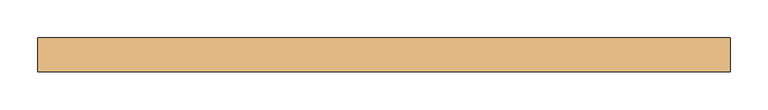
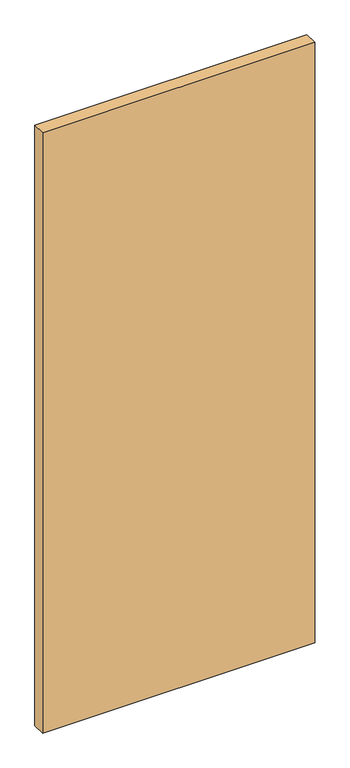
"""IFC4 building model written with IfcOpenShell, lengths in millimetres: door geometry."""

from ifc_helpers import new_model, si_unit, origin, origin_with_axes, place, context, project, spatial, polyline, outline, extrude, source, transform, mapped, element, save


def door_548d0056(model_context):
    return source(origin(), model_context, "Body", "SweptSolid", [
        extrude(outline(polyline([(-457.2, 22.225), (457.2, 22.225), (457.2, -22.225), (-457.2, -22.225), (-457.2, 22.225)])), origin_with_axes(), (0.0, 0.0, 1.0), 2133.6),
    ])


if __name__ == "__main__":
    model = new_model("IFC4")
    model_context = context("Model", 3, world=origin())
    ifc_project = project(units=[si_unit("LENGTHUNIT", "METRE", prefix="MILLI")], contexts=[model_context])
    site = spatial("IfcSite", under=ifc_project)
    building = spatial("IfcBuilding", under=site)
    placement = place(None, origin())
    door_shape = door_548d0056(model_context)
    element("IfcDoor", 1, at=placement, inside=building, context=model_context, shape_type="MappedRepresentation", body=[
        mapped(door_shape, transform((0.0, 0.0, 0.0), x_axis=(1.0, 0.0, 0.0), y_axis=(0.0, 1.0, 0.0), z_axis=(0.0, 0.0, 1.0))),
    ])
    save(model, "model.ifc")
